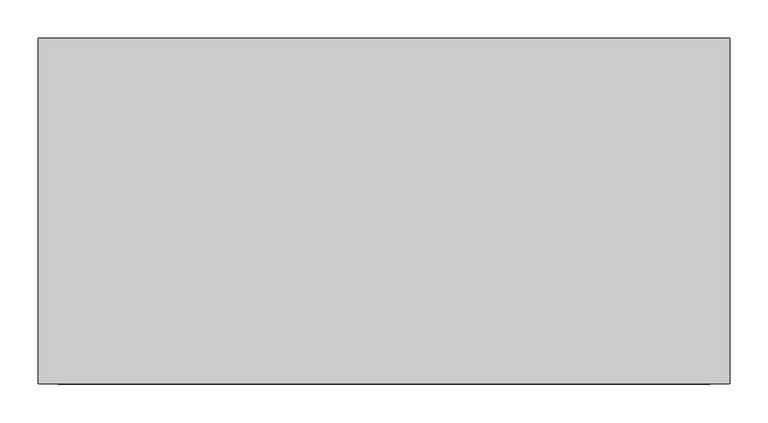
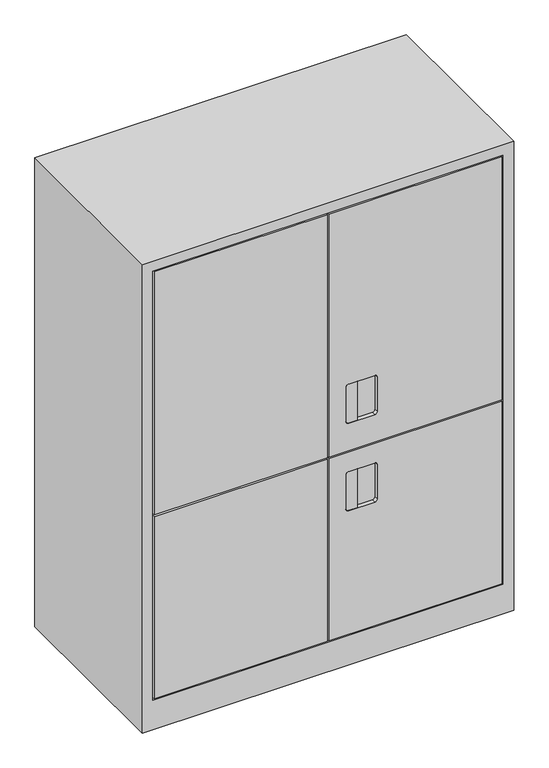
"""IFC4 building model written with IfcOpenShell, lengths in millimetres: furniture geometry."""

from ifc_helpers import new_model, si_unit, point, frame, frame_2d, origin, place, context, project, spatial, polyline, circle_curve, trimmed, segment, composite_curve, outline, extrude, faceted_brep, source, transform, mapped, element, save
from ifc_brep_helpers import plane_surface, revolved_surface, advanced_brep


def furniture_c9697ad6(model_context):
    return source(origin(), model_context, "Body", "SolidModel", [
        extrude(outline(composite_curve([segment(polyline([(718.4285714, 71.0), (718.4285714, 50.0)]), True, "CONTINUOUS"), segment(trimmed(circle_curve(frame_2d((712.4285714, 50.0)), 6.0), [point((718.4285714, 50.0))], [point((712.4285714, 44.0))], False, "CARTESIAN"), True, "CONTINUOUS"), segment(polyline([(712.4285714, 44.0), (624.4285714, 44.0)]), True, "CONTINUOUS"), segment(trimmed(circle_curve(frame_2d((624.4285714, 50.0)), 6.0), [point((624.4285714, 44.0))], [point((618.4285714, 50.0))], False, "CARTESIAN"), True, "CONTINUOUS"), segment(polyline([(618.4285714, 50.0), (618.4285714, 71.0), (718.4285714, 71.0)]), True, "CONTINUOUS")], self_intersect=False)), frame((0.0, -224.0, 0.0), z_axis=(0.0, 1.0, 0.0), x_axis=(0.0, 0.0, 1.0)), (0.0, 0.0, 1.0), 4.0),
        extrude(outline(composite_curve([segment(polyline([(494.4285714, 71.0), (494.4285714, 50.0)]), True, "CONTINUOUS"), segment(trimmed(circle_curve(frame_2d((488.4285714, 50.0)), 6.0), [point((494.4285714, 50.0))], [point((488.4285714, 44.0))], False, "CARTESIAN"), True, "CONTINUOUS"), segment(polyline([(488.4285714, 44.0), (400.4285714, 44.0)]), True, "CONTINUOUS"), segment(trimmed(circle_curve(frame_2d((400.4285714, 50.0)), 6.0), [point((400.4285714, 44.0))], [point((394.4285714, 50.0))], False, "CARTESIAN"), True, "CONTINUOUS"), segment(polyline([(394.4285714, 50.0), (394.4285714, 71.0), (494.4285714, 71.0)]), True, "CONTINUOUS")], self_intersect=False)), frame((0.0, -224.0, 0.0), z_axis=(0.0, 1.0, 0.0), x_axis=(0.0, 0.0, 1.0)), (0.0, 0.0, 1.0), 4.0),
        faceted_brep([(-1.5, -225.0, 548.4285714), (-1.5, -225.0, 1171.0), (-421.0, -225.0, 1171.0), (-421.0, -225.0, 548.4285714), (-1.5, -205.0, 548.4285714), (-421.0, -205.0, 548.4285714), (-421.0, -205.0, 1171.0), (-1.5, -205.0, 1171.0)], [[[0, 1, 2, 3]], [[4, 5, 6, 7]], [[1, 0, 4, 7]], [[2, 1, 7, 6]], [[3, 2, 6, 5]], [[0, 3, 5, 4]]]),
        faceted_brep([(-421.0, -225.0, 544.4285714), (-421.0, -225.0, 78.0), (-1.5, -225.0, 78.0), (-1.5, -225.0, 544.4285714), (-421.0, -205.0, 544.4285714), (-1.5, -205.0, 544.4285714), (-1.5, -205.0, 78.0), (-421.0, -205.0, 78.0)], [[[0, 1, 2, 3]], [[4, 5, 6, 7]], [[1, 0, 4, 7]], [[2, 1, 7, 6]], [[3, 2, 6, 5]], [[0, 3, 5, 4]]]),
        advanced_brep(
        [(1.5, -225.0, 548.4285714), (421.0, -225.0, 548.4285714), (421.0, -225.0, 1171.0), (1.5, -225.0, 1171.0), (50.0, -225.0, 718.4285714), (113.0, -225.0, 718.4285714), (119.0, -225.0, 712.4285714), (119.0, -225.0, 624.4285714), (113.0, -225.0, 618.4285714), (50.0, -225.0, 618.4285714), (44.0, -225.0, 624.4285714), (44.0, -225.0, 712.4285714), (1.5, -205.0, 548.4285714), (1.5, -205.0, 1171.0), (421.0, -205.0, 1171.0), (421.0, -205.0, 548.4285714), (113.0, -215.0, 718.4285714), (50.0, -215.0, 718.4285714), (44.0, -215.0, 712.4285714), (44.0, -215.0, 624.4285714), (50.0, -215.0, 618.4285714), (113.0, -215.0, 618.4285714), (119.0, -215.0, 624.4285714), (119.0, -215.0, 712.4285714)],
        [
            (0, 1),
            (1, 2),
            (2, 3),
            (3, 0),
            (4, 5),
            (5, 6, circle_curve(frame((113.0, -225.0, 712.4285714), z_axis=(0.0, 1.0, 0.0), x_axis=(1.0, 0.0, 0.0)), 6.0)),
            (6, 7),
            (7, 8, circle_curve(frame((113.0, -225.0, 624.4285714), z_axis=(0.0, 1.0, 0.0), x_axis=(1.0, 0.0, 0.0)), 6.0)),
            (8, 9),
            (9, 10, circle_curve(frame((50.0, -225.0, 624.4285714), z_axis=(0.0, 1.0, 0.0), x_axis=(1.0, 0.0, 0.0)), 6.0)),
            (10, 11),
            (11, 4, circle_curve(frame((50.0, -225.0, 712.4285714), z_axis=(0.0, 1.0, 0.0), x_axis=(1.0, 0.0, 0.0)), 6.0)),
            (12, 13),
            (13, 14),
            (14, 15),
            (15, 12),
            (0, 12),
            (15, 1),
            (14, 2),
            (13, 3),
            (16, 17),
            (17, 18, circle_curve(frame((50.0, -215.0, 712.4285714), z_axis=(0.0, -1.0, 0.0), x_axis=(1.0, 0.0, 0.0)), 6.0)),
            (18, 19),
            (19, 20, circle_curve(frame((50.0, -215.0, 624.4285714), z_axis=(0.0, -1.0, 0.0), x_axis=(1.0, 0.0, 0.0)), 6.0)),
            (20, 21),
            (21, 22, circle_curve(frame((113.0, -215.0, 624.4285714), z_axis=(0.0, -1.0, 0.0), x_axis=(1.0, 0.0, 0.0)), 6.0)),
            (22, 23),
            (23, 16, circle_curve(frame((113.0, -215.0, 712.4285714), z_axis=(0.0, -1.0, 0.0), x_axis=(1.0, 0.0, 0.0)), 6.0)),
            (16, 5),
            (4, 17),
            (11, 18),
            (10, 19),
            (9, 20),
            (8, 21),
            (7, 22),
            (6, 23),
        ],
        [
            plane_surface(frame((-1.5, -225.0, 1171.0), z_axis=(0.0, -1.0, 0.0), x_axis=(0.0, 0.0, 1.0))),
            plane_surface(frame((-1.5, -205.0, 1171.0), z_axis=(0.0, 1.0, 0.0), x_axis=(0.0, 0.0, -1.0))),
            plane_surface(frame((1.5, -225.0, 548.4285714), z_axis=(0.0, 0.0, -1.0), x_axis=(0.0, 1.0, 0.0))),
            plane_surface(frame((421.0, -225.0, 548.4285714), z_axis=(1.0, 0.0, 0.0), x_axis=(0.0, 1.0, 0.0))),
            plane_surface(frame((421.0, -225.0, 1171.0), z_axis=(0.0, 0.0, 1.0), x_axis=(0.0, 1.0, 0.0))),
            plane_surface(frame((1.5, -225.0, 1171.0), z_axis=(-1.0, 0.0, 0.0), x_axis=(0.0, 1.0, 0.0))),
            plane_surface(frame((50.0, -215.0, 718.4285714), z_axis=(0.0, -1.0, 0.0), x_axis=(1.0, 0.0, 2.767327108207003e-12))),
            plane_surface(frame((113.0, -225.0, 718.4285714), z_axis=(2.767327108207003e-12, 0.0, -1.0), x_axis=(0.0, 1.0, 0.0))),
            revolved_surface(polyline([(56.0, -225.0, 712.4285714), (56.0, -215.0, 712.4285714)]), (50.0, -215.0, 712.4285714), (0.0, -1.0, 0.0)),
            plane_surface(frame((44.0, -225.0, 712.4285714), z_axis=(1.0, 0.0, 1.98115463429254e-12), x_axis=(0.0, 1.0, 0.0))),
            revolved_surface(polyline([(56.0, -225.0, 624.4285714), (56.0, -215.0, 624.4285714)]), (50.0, -215.0, 624.4285714), (0.0, -1.0, 0.0)),
            plane_surface(frame((50.0, -225.0, 618.4285714), z_axis=(1.3815150082120362e-12, 0.0, 1.0), x_axis=(0.0, 1.0, 0.0))),
            revolved_surface(polyline([(119.0, -225.0, 624.4285714), (119.0, -215.0, 624.4285714)]), (113.0, -215.0, 624.4285714), (0.0, -1.0, 0.0)),
            plane_surface(frame((119.0, -225.0, 624.4285714), z_axis=(-1.0, 0.0, 0.0), x_axis=(0.0, 1.0, 0.0))),
            revolved_surface(polyline([(119.0, -225.0, 712.4285714), (119.0, -215.0, 712.4285714)]), (113.0, -215.0, 712.4285714), (0.0, -1.0, 0.0)),
        ],
        [
            (0, [[1, 2, 3, 4], [5, 6, 7, 8, 9, 10, 11, 12]]),
            (1, [[13, 14, 15, 16]]),
            (2, [[-1, 17, -16, 18]]),
            (3, [[-2, -18, -15, 19]]),
            (4, [[-3, -19, -14, 20]]),
            (5, [[-4, -20, -13, -17]]),
            (6, [[21, 22, 23, 24, 25, 26, 27, 28]]),
            (7, [[-21, 29, -5, 30]]),
            (8, [[-22, -30, -12, 31]]),
            (9, [[-23, -31, -11, 32]]),
            (10, [[-24, -32, -10, 33]]),
            (11, [[-25, -33, -9, 34]]),
            (12, [[-26, -34, -8, 35]]),
            (13, [[-27, -35, -7, 36]]),
            (14, [[-28, -36, -6, -29]]),
        ],
    ),
        advanced_brep(
        [(1.5, -225.0, 78.0), (421.0, -225.0, 78.0), (421.0, -225.0, 544.4285714), (1.5, -225.0, 544.4285714), (50.0, -225.0, 494.4285714), (113.0, -225.0, 494.4285714), (119.0, -225.0, 488.4285714), (119.0, -225.0, 400.4285714), (113.0, -225.0, 394.4285714), (50.0, -225.0, 394.4285714), (44.0, -225.0, 400.4285714), (44.0, -225.0, 488.4285714), (1.5, -205.0, 78.0), (1.5, -205.0, 544.4285714), (421.0, -205.0, 544.4285714), (421.0, -205.0, 78.0), (113.0, -215.0, 494.4285714), (50.0, -215.0, 494.4285714), (44.0, -215.0, 488.4285714), (44.0, -215.0, 400.4285714), (50.0, -215.0, 394.4285714), (113.0, -215.0, 394.4285714), (119.0, -215.0, 400.4285714), (119.0, -215.0, 488.4285714)],
        [
            (0, 1),
            (1, 2),
            (2, 3),
            (3, 0),
            (4, 5),
            (5, 6, circle_curve(frame((113.0, -225.0, 488.4285714), z_axis=(0.0, 1.0, 0.0), x_axis=(1.0, 0.0, 0.0)), 6.0)),
            (6, 7),
            (7, 8, circle_curve(frame((113.0, -225.0, 400.4285714), z_axis=(0.0, 1.0, 0.0), x_axis=(1.0, 0.0, 0.0)), 6.0)),
            (8, 9),
            (9, 10, circle_curve(frame((50.0, -225.0, 400.4285714), z_axis=(0.0, 1.0, 0.0), x_axis=(1.0, 0.0, 0.0)), 6.0)),
            (10, 11),
            (11, 4, circle_curve(frame((50.0, -225.0, 488.4285714), z_axis=(0.0, 1.0, 0.0), x_axis=(1.0, 0.0, 0.0)), 6.0)),
            (12, 13),
            (13, 14),
            (14, 15),
            (15, 12),
            (0, 12),
            (15, 1),
            (14, 2),
            (13, 3),
            (16, 17),
            (17, 18, circle_curve(frame((50.0, -215.0, 488.4285714), z_axis=(0.0, -1.0, 0.0), x_axis=(1.0, 0.0, 0.0)), 6.0)),
            (18, 19),
            (19, 20, circle_curve(frame((50.0, -215.0, 400.4285714), z_axis=(0.0, -1.0, 0.0), x_axis=(1.0, 0.0, 0.0)), 6.0)),
            (20, 21),
            (21, 22, circle_curve(frame((113.0, -215.0, 400.4285714), z_axis=(0.0, -1.0, 0.0), x_axis=(1.0, 0.0, 0.0)), 6.0)),
            (22, 23),
            (23, 16, circle_curve(frame((113.0, -215.0, 488.4285714), z_axis=(0.0, -1.0, 0.0), x_axis=(1.0, 0.0, 0.0)), 6.0)),
            (16, 5),
            (4, 17),
            (11, 18),
            (10, 19),
            (9, 20),
            (8, 21),
            (7, 22),
            (6, 23),
        ],
        [
            plane_surface(frame((-1.5, -225.0, 1171.0), z_axis=(0.0, -1.0, 0.0), x_axis=(0.0, 0.0, 1.0))),
            plane_surface(frame((-1.5, -205.0, 1171.0), z_axis=(0.0, 1.0, 0.0), x_axis=(0.0, 0.0, -1.0))),
            plane_surface(frame((1.5, -225.0, 78.0), z_axis=(0.0, 0.0, -1.0), x_axis=(0.0, 1.0, 0.0))),
            plane_surface(frame((421.0, -225.0, 78.0), z_axis=(1.0, 0.0, 0.0), x_axis=(0.0, 1.0, 0.0))),
            plane_surface(frame((421.0, -225.0, 544.4285714), z_axis=(0.0, 0.0, 1.0), x_axis=(0.0, 1.0, 0.0))),
            plane_surface(frame((1.5, -225.0, 544.4285714), z_axis=(-1.0, 0.0, 0.0), x_axis=(0.0, 1.0, 0.0))),
            plane_surface(frame((50.0, -215.0, 718.4285714), z_axis=(0.0, -1.0, 0.0), x_axis=(1.0, 0.0, 2.767327108207003e-12))),
            plane_surface(frame((113.0, -225.0, 494.4285714), z_axis=(1.4427485661187919e-12, 0.0, -1.0), x_axis=(0.0, 1.0, 0.0))),
            revolved_surface(polyline([(56.0, -225.0, 488.4285714), (56.0, -215.0, 488.4285714)]), (50.0, -225.0, 488.4285714), (0.0, -1.0, 0.0)),
            plane_surface(frame((44.0, -225.0, 488.4285714), z_axis=(1.0, 0.0, 1.032972949603576e-12), x_axis=(0.0, 1.0, 0.0))),
            revolved_surface(polyline([(56.0, -225.0, 400.4285714), (56.0, -215.0, 400.4285714)]), (50.0, -225.0, 400.4285714), (0.0, -1.0, 0.0)),
            plane_surface(frame((50.0, -225.0, 394.4285714), z_axis=(1.383663554103502e-12, 0.0, 1.0), x_axis=(0.0, 1.0, 0.0))),
            revolved_surface(polyline([(119.0, -225.0, 400.4285714), (119.0, -215.0, 400.4285714)]), (113.0, -225.0, 400.4285714), (0.0, -1.0, 0.0)),
            plane_surface(frame((119.0, -225.0, 400.4285714), z_axis=(-1.0, 0.0, 0.0), x_axis=(0.0, 1.0, 0.0))),
            revolved_surface(polyline([(119.0, -225.0, 488.4285714), (119.0, -215.0, 488.4285714)]), (113.0, -225.0, 488.4285714), (0.0, -1.0, 0.0)),
        ],
        [
            (0, [[1, 2, 3, 4], [5, 6, 7, 8, 9, 10, 11, 12]]),
            (1, [[13, 14, 15, 16]]),
            (2, [[-1, 17, -16, 18]]),
            (3, [[-2, -18, -15, 19]]),
            (4, [[-3, -19, -14, 20]]),
            (5, [[-4, -20, -13, -17]]),
            (6, [[21, 22, 23, 24, 25, 26, 27, 28]]),
            (7, [[-21, 29, -5, 30]]),
            (8, [[-22, -30, -12, 31]]),
            (9, [[-23, -31, -11, 32]]),
            (10, [[-24, -32, -10, 33]]),
            (11, [[-25, -33, -9, 34]]),
            (12, [[-26, -34, -8, 35]]),
            (13, [[-27, -35, -7, 36]]),
            (14, [[-28, -36, -6, -29]]),
        ],
    ),
        extrude(outline(polyline([(1200.0, 450.0), (1200.0, -450.0), (0.0, -450.0), (0.0, 450.0), (1200.0, 450.0)]), holes=[polyline([(1174.0, 424.0), (75.0, 424.0), (75.0, -424.0), (1174.0, -424.0), (1174.0, 424.0)])]), frame((0.0, -225.0, 0.0), z_axis=(0.0, 1.0, 0.0), x_axis=(0.0, 0.0, 1.0)), (0.0, 0.0, 1.0), 450.0),
        extrude(outline(polyline([(-424.0, 225.0), (424.0, 225.0), (424.0, 215.0), (-424.0, 215.0), (-424.0, 225.0)])), frame((0.0, 0.0, 75.0), z_axis=(0.0, 0.0, 1.0), x_axis=(1.0, 0.0, 0.0)), (0.0, 0.0, 1.0), 1099.0),
    ])


if __name__ == "__main__":
    model = new_model("IFC4")
    model_context = context("Model", 3, world=origin())
    ifc_project = project(units=[si_unit("LENGTHUNIT", "METRE", prefix="MILLI")], contexts=[model_context])
    site = spatial("IfcSite", under=ifc_project)
    building = spatial("IfcBuilding", under=site)
    placement = place(None, origin())
    furniture_shape = furniture_c9697ad6(model_context)
    element("IfcFurniture", 1, at=placement, inside=building, context=model_context, shape_type="MappedRepresentation", body=[
        mapped(furniture_shape, transform((0.0, 0.0, 0.0), x_axis=(1.0, 0.0, 0.0), y_axis=(0.0, 1.0, 0.0), z_axis=(0.0, 0.0, 1.0))),
    ])
    save(model, "model.ifc")
